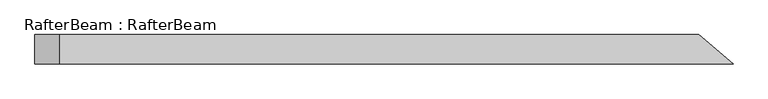
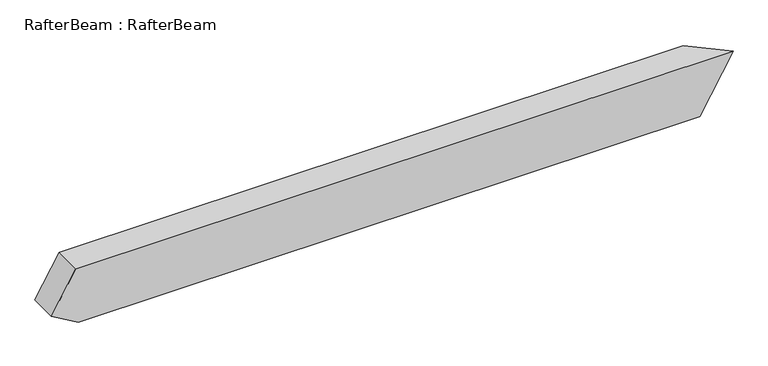
"""IFC4 building model written with IfcOpenShell, lengths in millimetres: beam geometry, RafterBeam : RafterBeam."""

from ifc_helpers import new_model, si_unit, origin, place, context, project, spatial, faceted_brep, source, transform, mapped, element, save


def rafterbeam_rafterbeam_66eebd31(model_context):
    return source(origin(), model_context, "Body", "Brep", [
        faceted_brep([(906.2104941, -40.0, 80.0), (812.9803155, 40.0, 80.0), (-924.9151312, 40.0, 80.0), (-924.9151312, -40.0, 80.0), (720.6042724, 40.0, -80.0), (813.834451, -40.0, -80.0), (-917.2911743, -40.0, -80.0), (-917.2911743, 40.0, -80.0), (-992.2911743, 40.0, -36.6987298), (-992.2911743, -40.0, -36.6987298)], [[[0, 1, 2, 3]], [[4, 5, 6, 7]], [[1, 4, 7, 8, 2]], [[5, 0, 3, 9, 6]], [[0, 5, 4, 1]], [[3, 2, 8, 9]], [[7, 6, 9, 8]]]),
    ])


if __name__ == "__main__":
    model = new_model("IFC4")
    model_context = context("Model", 3, world=origin())
    ifc_project = project(units=[si_unit("LENGTHUNIT", "METRE", prefix="MILLI")], contexts=[model_context])
    site = spatial("IfcSite", under=ifc_project)
    building = spatial("IfcBuilding", under=site)
    placement = place(None, origin())
    rafterbeam_rafterbeam_shape = rafterbeam_rafterbeam_66eebd31(model_context)
    element("IfcBeam", 1, ObjectType="RafterBeam : RafterBeam", at=placement, inside=building, context=model_context, shape_type="MappedRepresentation", body=[
        mapped(rafterbeam_rafterbeam_shape, transform((0.0, 0.0, 0.0), x_axis=(1.0, 0.0, 0.0), y_axis=(0.0, 1.0, 0.0), z_axis=(0.0, 0.0, 1.0))),
    ])
    save(model, "model.ifc")
